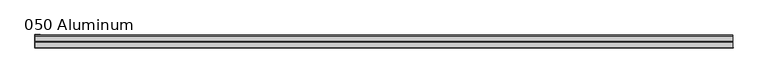
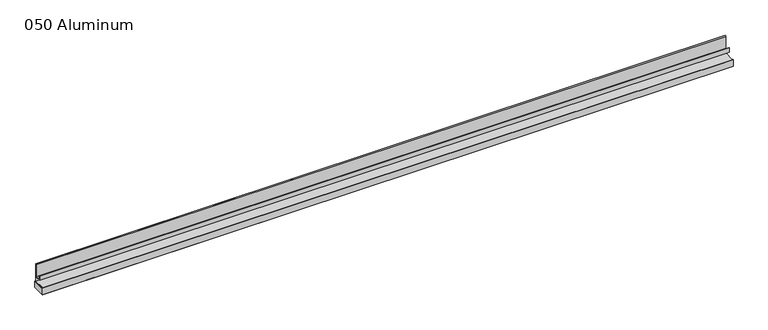
"""IFC4 building model written with IfcOpenShell, lengths in millimetres: plate geometry, 050 Aluminum."""

from ifc_helpers import new_model, si_unit, point, frame, frame_2d, origin, origin_with_axes, place, context, project, spatial, polyline, circle_curve, trimmed, segment, composite_curve, outline, extrude, source, transform, mapped, element, save


def plate_050_aluminum_abc92fc9(model_context):
    return source(origin(), model_context, "Body", "SweptSolid", [
        extrude(outline(polyline([(-919.4799998, -2.5660257), (-919.4799998, -34.7980001), (-920.7499998, -34.7980001), (-920.7499998, -1.2699999), (-906.5894993, -1.2699999), (-906.5894993, -2.5660257), (-919.4799998, -2.5660257)])), origin_with_axes(), (0.0, 0.0, 1.0), 17.1278561),
        extrude(outline(composite_curve([segment(polyline([(-16.6765477, 13.1458337), (-16.6765477, 2.786437), (-17.9464915, 2.786437), (-17.9464915, 13.1323356)]), True, "CONTINUOUS"), segment(trimmed(circle_curve(frame_2d((-19.8514743, 13.124237)), 1.905), [point((-17.9464915, 13.1323356))], [point((-21.7564743, 13.124237))], True, "CARTESIAN"), True, "CONTINUOUS"), segment(polyline([(-21.7564743, 13.124237), (-21.7564743, 0.0), (-34.7980002, 0.0), (-34.7980002, 1.2693678), (-23.0264743, 1.2693678), (-23.0264743, 13.124237)]), True, "CONTINUOUS"), segment(trimmed(circle_curve(frame_2d((-19.8514743, 13.124237)), 3.175), [point((-23.0264743, 13.124237))], [point((-16.6765477, 13.1458337))], False, "CARTESIAN"), True, "CONTINUOUS")], self_intersect=False)), frame((-919.4799998, 0.0, 0.0), z_axis=(1.0, 0.0, 0.0), x_axis=(0.0, 1.0, 0.0)), (0.0, 0.0, 1.0), 1838.9599997),
        extrude(outline(composite_curve([segment(polyline([(-2.0574743, 65.5910563), (-2.0574743, 17.1278562), (-34.7980002, 17.1278562), (-34.7980002, 18.3978562), (-3.3274743, 18.3978562), (-3.3274743, 65.5910563)]), True, "CONTINUOUS"), segment(trimmed(circle_curve(frame_2d((-3.7084742, 65.5910563)), 0.3809999), [point((-3.3274743, 65.5910563))], [point((-4.0894742, 65.5910563))], True, "CARTESIAN"), True, "CONTINUOUS"), segment(polyline([(-4.0894742, 65.5910563), (-4.0894742, 31.0978561), (-20.4864742, 31.0978561), (-20.4864742, 42.4516561), (-19.2164743, 42.4516561), (-19.2164743, 32.3678562), (-5.3594742, 32.3678562), (-5.3594742, 65.5910563)]), True, "CONTINUOUS"), segment(trimmed(circle_curve(frame_2d((-3.7084742, 65.5910563)), 1.6509999), [point((-5.3594742, 65.5910563))], [point((-2.0574743, 65.5910563))], False, "CARTESIAN"), True, "CONTINUOUS")], self_intersect=False)), frame((-919.4799998, 0.0, 0.0), z_axis=(1.0, 0.0, 0.0), x_axis=(0.0, 1.0, 0.0)), (0.0, 0.0, 1.0), 1838.9599997),
        extrude(outline(polyline([(-920.7499998, -36.068), (-920.7499998, -34.7980001), (920.7499998, -34.7980001), (920.7499998, -36.068), (-920.7499998, -36.068)])), origin_with_axes(), (0.0, 0.0, 1.0), 18.3978562),
    ])


if __name__ == "__main__":
    model = new_model("IFC4")
    model_context = context("Model", 3, world=origin())
    ifc_project = project(units=[si_unit("LENGTHUNIT", "METRE", prefix="MILLI")], contexts=[model_context])
    site = spatial("IfcSite", under=ifc_project)
    building = spatial("IfcBuilding", under=site)
    placement = place(None, origin())
    plate_050_aluminum_shape = plate_050_aluminum_abc92fc9(model_context)
    element("IfcPlate", 1, ObjectType="050 Aluminum", at=placement, inside=building, context=model_context, shape_type="MappedRepresentation", body=[
        mapped(plate_050_aluminum_shape, transform((0.0, 0.0, 0.0), x_axis=(1.0, 0.0, 0.0), y_axis=(0.0, 1.0, 0.0), z_axis=(0.0, 0.0, 1.0))),
    ])
    save(model, "model.ifc")
